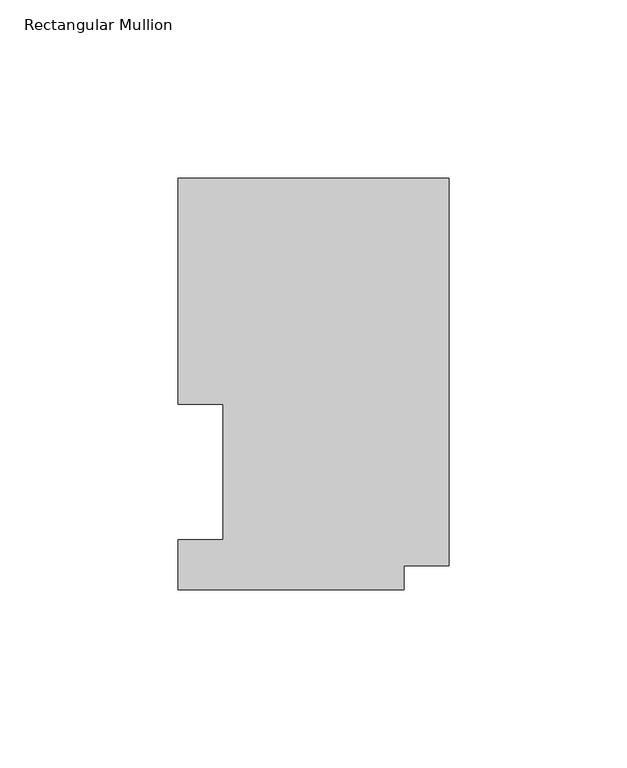
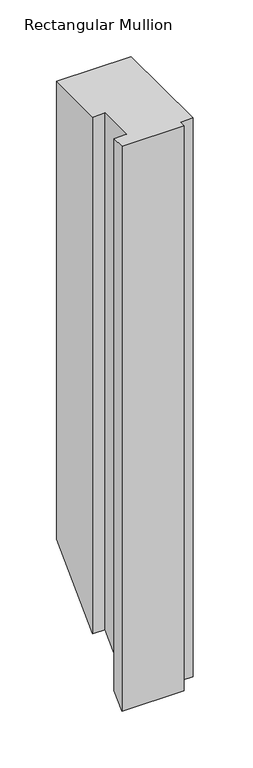
"""IFC4 building model written with IfcOpenShell, lengths in millimetres: member geometry, Rectangular Mullion."""

from ifc_helpers import new_model, si_unit, origin, place, context, project, spatial, faceted_brep, source, transform, mapped, element, save


def rectangular_mullion_209bc2dc(model_context):
    return source(origin(), model_context, "Body", "Brep", [
        faceted_brep([(0.0, 116.0859375, 0.0), (-76.2, 116.0859375, 0.0), (-76.2, 52.5859375, 0.0), (-63.5, 52.5859375, 0.0), (-63.5, 14.4859375, 0.0), (-76.2, 14.4859375, 0.0), (-76.2, 0.5159205, 0.0), (-12.7, 0.5159205, 0.0), (-12.7, 7.1611307, 0.0), (0.0, 7.1611307, 0.0), (0.0, 116.0859375, -493.4823125), (-76.2, 116.0859375, -493.4823125), (-76.2, 52.5859375, -556.9823125), (-63.5, 52.5859375, -556.9823125), (-63.5, 14.4859375, -595.0823125), (-76.2, 14.4859375, -595.0823125), (-76.2, 0.5159205, -609.0523295), (-12.7, 0.5159205, -609.0523295), (-12.7, 7.1611307, -602.4071193), (0.0, 7.1611307, -602.4071193)], [[[0, 1, 2, 3, 4, 5, 6, 7, 8, 9]], [[1, 0, 10, 11]], [[2, 1, 11, 12]], [[3, 2, 12, 13]], [[4, 3, 13, 14]], [[5, 4, 14, 15]], [[6, 5, 15, 16]], [[7, 6, 16, 17]], [[8, 7, 17, 18]], [[9, 8, 18, 19]], [[0, 9, 19, 10]], [[10, 19, 18, 17, 16, 15, 14, 13, 12, 11]]]),
    ])


if __name__ == "__main__":
    model = new_model("IFC4")
    model_context = context("Model", 3, world=origin())
    ifc_project = project(units=[si_unit("LENGTHUNIT", "METRE", prefix="MILLI")], contexts=[model_context])
    site = spatial("IfcSite", under=ifc_project)
    building = spatial("IfcBuilding", under=site)
    placement = place(None, origin())
    rectangular_mullion_shape = rectangular_mullion_209bc2dc(model_context)
    element("IfcMember", 1, ObjectType="Rectangular Mullion", at=placement, inside=building, context=model_context, shape_type="MappedRepresentation", body=[
        mapped(rectangular_mullion_shape, transform((0.0, 0.0, 0.0), x_axis=(1.0, 0.0, 0.0), y_axis=(0.0, 1.0, 0.0), z_axis=(0.0, 0.0, 1.0))),
    ])
    save(model, "model.ifc")
